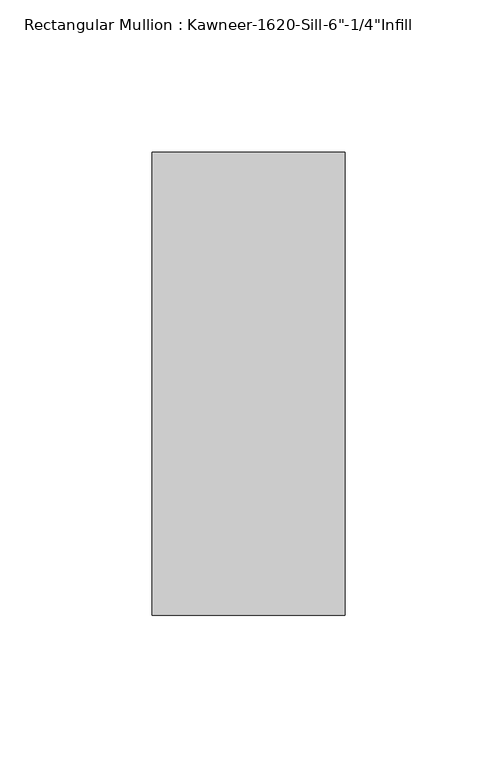
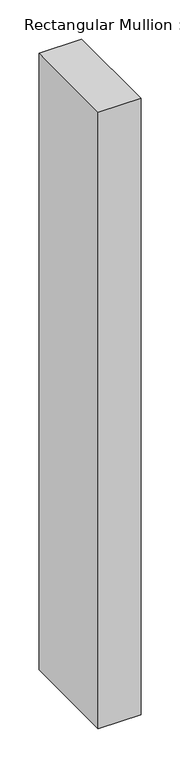
"""IFC4 building model written with IfcOpenShell, lengths in millimetres: member geometry."""

from ifc_helpers import new_model, si_unit, frame, origin, place, context, project, spatial, polyline, outline, extrude, source, transform, mapped, element, save


def member_272f918b(model_context):
    return source(origin(), model_context, "Body", "SweptSolid", [
        extrude(outline(polyline([(-63.5, 28.575), (0.0, 28.575), (0.0, -123.825), (-63.5, -123.825), (-63.5, 28.575)])), frame((0.0, 0.0, -965.2), z_axis=(0.0, 0.0, 1.0), x_axis=(1.0, 0.0, 0.0)), (0.0, 0.0, 1.0), 965.2),
    ])


if __name__ == "__main__":
    model = new_model("IFC4")
    model_context = context("Model", 3, world=origin())
    ifc_project = project(units=[si_unit("LENGTHUNIT", "METRE", prefix="MILLI")], contexts=[model_context])
    site = spatial("IfcSite", under=ifc_project)
    building = spatial("IfcBuilding", under=site)
    placement = place(None, origin())
    member_shape = member_272f918b(model_context)
    element("IfcMember", 1, ObjectType="Rectangular Mullion : Kawneer-1620-Sill-6\"-1/4\"Infill", at=placement, inside=building, context=model_context, shape_type="MappedRepresentation", body=[
        mapped(member_shape, transform((0.0, 0.0, 0.0), x_axis=(1.0, 0.0, 0.0), y_axis=(0.0, 1.0, 0.0), z_axis=(0.0, 0.0, 1.0))),
    ])
    save(model, "model.ifc")
